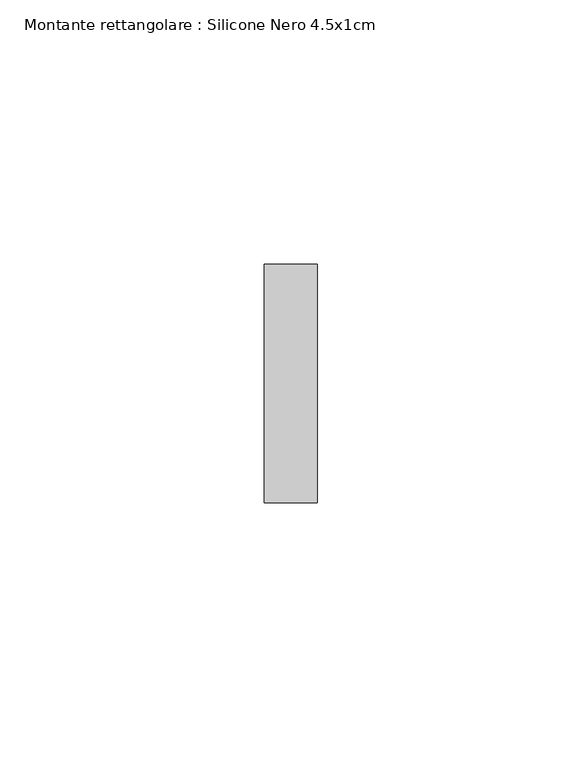
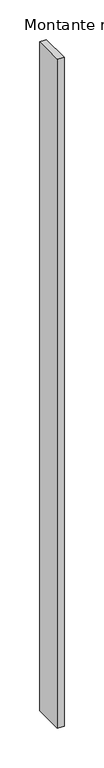
"""IFC4 building model written with IfcOpenShell, lengths in millimetres: member geometry, Montante rettangolare : Silicone Nero 4.5x1cm."""

from ifc_helpers import new_model, si_unit, frame, origin, place, context, project, spatial, polyline, outline, extrude, source, transform, mapped, element, save


def montante_rettangolare_silicone_nero_4_5x1cm_2dde771e(model_context):
    return source(origin(), model_context, "Body", "SweptSolid", [
        extrude(outline(polyline([(5.0, 45.0), (5.0, 0.0), (-5.0, 0.0), (-5.0, 45.0), (5.0, 45.0)])), frame((0.0, 0.0, -1033.3333333), z_axis=(0.0, 0.0, 1.0), x_axis=(1.0, 0.0, 0.0)), (0.0, 0.0, 1.0), 1033.3333333),
    ])


if __name__ == "__main__":
    model = new_model("IFC4")
    model_context = context("Model", 3, world=origin())
    ifc_project = project(units=[si_unit("LENGTHUNIT", "METRE", prefix="MILLI")], contexts=[model_context])
    site = spatial("IfcSite", under=ifc_project)
    building = spatial("IfcBuilding", under=site)
    placement = place(None, origin())
    montante_rettangolare_silicone_nero_4_5x1cm_shape = montante_rettangolare_silicone_nero_4_5x1cm_2dde771e(model_context)
    element("IfcMember", 1, ObjectType="Montante rettangolare : Silicone Nero 4.5x1cm", at=placement, inside=building, context=model_context, shape_type="MappedRepresentation", body=[
        mapped(montante_rettangolare_silicone_nero_4_5x1cm_shape, transform((0.0, 0.0, 0.0), x_axis=(1.0, 0.0, 0.0), y_axis=(0.0, 1.0, 0.0), z_axis=(0.0, 0.0, 1.0))),
    ])
    save(model, "model.ifc")
